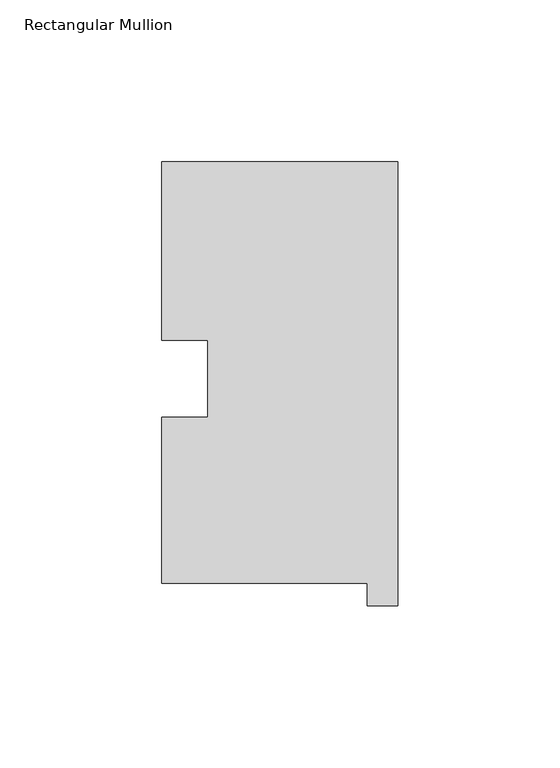
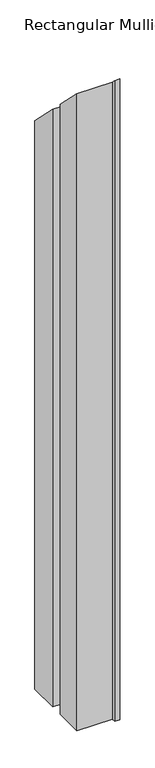
"""IFC4 building model written with IfcOpenShell, lengths in millimetres: member geometry, Rectangular Mullion."""

from ifc_helpers import new_model, si_unit, origin, place, context, project, spatial, faceted_brep, source, transform, mapped, element, save


def rectangular_mullion_5251cd49(model_context):
    return source(origin(), model_context, "Body", "Brep", [
        faceted_brep([(-9.525, 0.26035, -1206.50635), (-73.025, 0.26035, -1206.50635), (-73.025, 51.60645, -1206.50635), (-58.785125, 51.60645, -1206.50635), (-58.785125, 75.40625, -1206.50635), (-73.025, 75.40625, -1206.50635), (-73.025, 130.56235, -1206.50635), (0.0, 130.56235, -1206.50635), (0.0, -6.64845, -1206.50635), (-9.525, -6.64845, -1206.50635), (-9.525, -6.64845, 6.64845), (-9.525, 0.26035, -0.26035), (0.0, -6.64845, 6.64845), (0.0, 130.56235, -130.56235), (-73.025, 130.56235, -130.56235), (-73.025, 75.40625, -75.40625), (-58.785125, 75.40625, -75.40625), (-58.785125, 51.60645, -51.60645), (-73.025, 51.60645, -51.60645), (-73.025, 0.26035, -0.26035)], [[[0, 1, 2, 3, 4, 5, 6, 7, 8, 9]], [[10, 11, 0, 9]], [[12, 10, 9, 8]], [[13, 12, 8, 7]], [[14, 13, 7, 6]], [[15, 14, 6, 5]], [[16, 15, 5, 4]], [[17, 16, 4, 3]], [[18, 17, 3, 2]], [[19, 18, 2, 1]], [[11, 19, 1, 0]], [[11, 10, 12, 13, 14, 15, 16, 17, 18, 19]]]),
    ])


if __name__ == "__main__":
    model = new_model("IFC4")
    model_context = context("Model", 3, world=origin())
    ifc_project = project(units=[si_unit("LENGTHUNIT", "METRE", prefix="MILLI")], contexts=[model_context])
    site = spatial("IfcSite", under=ifc_project)
    building = spatial("IfcBuilding", under=site)
    placement = place(None, origin())
    rectangular_mullion_shape = rectangular_mullion_5251cd49(model_context)
    element("IfcMember", 1, ObjectType="Rectangular Mullion", at=placement, inside=building, context=model_context, shape_type="MappedRepresentation", body=[
        mapped(rectangular_mullion_shape, transform((0.0, 0.0, 0.0), x_axis=(1.0, 0.0, 0.0), y_axis=(0.0, 1.0, 0.0), z_axis=(0.0, 0.0, 1.0))),
    ])
    save(model, "model.ifc")
